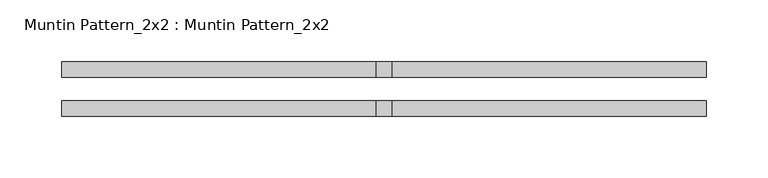
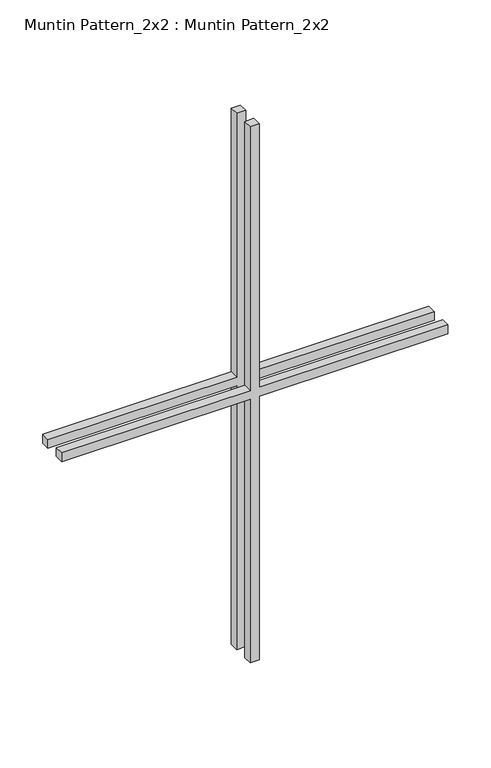
"""IFC4 building model written with IfcOpenShell, lengths in millimetres: proxy geometry, Muntin Pattern_2x2 : Muntin Pattern_2x2."""

from ifc_helpers import new_model, si_unit, frame, origin, place, context, project, spatial, polyline, outline, extrude, source, transform, mapped, element, save


def muntin_pattern_2x2_muntin_pattern_2x2_0ac132d2(model_context):
    return source(origin(), model_context, "Body", "SweptSolid", [
        extrude(outline(polyline([(390.525, -6.35), (390.525, -261.9375), (377.825, -261.9375), (377.825, -6.35), (0.0, -6.35), (0.0, 6.35), (377.825, 6.35), (377.825, 261.9375), (390.525, 261.9375), (390.525, 6.35), (768.35, 6.35), (768.35, -6.35), (390.525, -6.35)])), frame((0.0, 9.525, 0.0), z_axis=(0.0, 1.0, 0.0), x_axis=(0.0, 0.0, 1.0)), (0.0, 0.0, 1.0), 12.7),
        extrude(outline(polyline([(390.525, -6.35), (390.525, -261.9375), (377.825, -261.9375), (377.825, -6.35), (0.0, -6.35), (0.0, 6.35), (377.825, 6.35), (377.825, 261.9375), (390.525, 261.9375), (390.525, 6.35), (768.35, 6.35), (768.35, -6.35), (390.525, -6.35)])), frame((0.0, -22.225, 0.0), z_axis=(0.0, 1.0, 0.0), x_axis=(0.0, 0.0, 1.0)), (0.0, 0.0, 1.0), 12.7),
    ])


if __name__ == "__main__":
    model = new_model("IFC4")
    model_context = context("Model", 3, world=origin())
    ifc_project = project(units=[si_unit("LENGTHUNIT", "METRE", prefix="MILLI")], contexts=[model_context])
    site = spatial("IfcSite", under=ifc_project)
    building = spatial("IfcBuilding", under=site)
    placement = place(None, origin())
    muntin_pattern_2x2_muntin_pattern_2x2_shape = muntin_pattern_2x2_muntin_pattern_2x2_0ac132d2(model_context)
    element("IfcBuildingElementProxy", 1, Name="Muntin Pattern_2x2 : Muntin Pattern_2x2", ObjectType="Muntin Pattern_2x2 : Muntin Pattern_2x2", at=placement, inside=building, context=model_context, shape_type="MappedRepresentation", body=[
        mapped(muntin_pattern_2x2_muntin_pattern_2x2_shape, transform((0.0, 0.0, 0.0), x_axis=(1.0, 0.0, 0.0), y_axis=(0.0, 1.0, 0.0), z_axis=(0.0, 0.0, 1.0))),
    ])
    save(model, "model.ifc")
